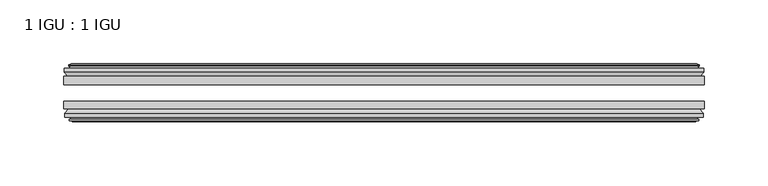
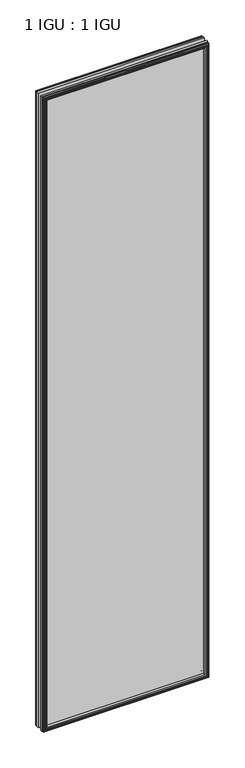
"""IFC4 building model written with IfcOpenShell, lengths in millimetres: plate geometry, 1 IGU : 1 IGU."""

from ifc_helpers import new_model, si_unit, frame, origin, place, context, project, spatial, polyline, outline, extrude, faceted_brep, source, transform, mapped, element, save


def plate_1_igu_1_igu_834acdd0(model_context):
    return source(origin(), model_context, "Body", "SolidModel", [
        extrude(outline(polyline([(250.3393016, -25.8960937), (250.3393016, -32.2460938), (-250.3393016, -32.2460938), (-250.3393016, -25.8960937), (250.3393016, -25.8960937)])), frame((0.0, 0.0, -12.7), z_axis=(0.0, 0.0, 1.0), x_axis=(1.0, 0.0, 0.0)), (0.0, 0.0, 1.0), 2019.3),
        extrude(outline(polyline([(-250.3393016, -51.2960938), (-250.3393016, -45.2686737), (250.3393016, -45.2686737), (250.3393016, -51.2960938), (-250.3393016, -51.2960938)])), frame((0.0, 0.0, -12.7), z_axis=(0.0, 0.0, 1.0), x_axis=(1.0, 0.0, 0.0)), (0.0, 0.0, 1.0), 2019.3),
        faceted_brep([(-244.7513016, -60.0262907, 2001.012), (-245.1323016, -57.6460937, 2001.393), (-245.1323016, -57.6460937, -7.493), (-244.7513016, -60.0262907, -7.112), (-246.1668306, -59.5663575, 2002.4275291), (-246.1668306, -59.5663575, -8.5275291), (-246.1668306, -60.3675717, 2002.4275291), (-246.1668306, -60.3675717, -8.5275291), (-243.9893016, -61.0750937, 2000.25), (-243.9893016, -61.0750937, -6.35), (-241.8117725, -60.3675717, 1998.072471), (-241.8117725, -60.3675717, -4.1724709), (-241.8117725, -59.5663575, 1998.072471), (-241.8117725, -59.5663575, -4.1724709), (-243.2273016, -60.0262907, 1999.488), (-243.2273016, -60.0262907, -5.588), (-242.8463016, -57.6460937, 1999.107), (-242.8463016, -57.6460937, -5.207), (-235.9215835, -51.2960937, 1992.1822819), (-237.6393016, -57.6460937, 1993.9), (-237.6393016, -57.6460937, 0.0), (-235.9215835, -51.2960937, 1.7177181), (-249.5773016, -54.6996937, 2005.838), (-246.7429594, -51.2960937, 2003.0036578), (-246.7429594, -51.2960937, -9.1036578), (-249.5773016, -54.6996937, -11.938), (-249.5773016, -57.6460937, 2005.838), (-249.5773016, -57.6460937, -11.938), (245.1323016, -57.6460938, -7.493), (244.7513016, -60.0262907, -7.112), (246.1668306, -59.5663575, -8.5275291), (246.1668306, -60.3675717, -8.5275291), (243.9893016, -61.0750937, -6.35), (241.8117725, -60.3675717, -4.1724709), (241.8117725, -59.5663575, -4.1724709), (243.2273016, -60.0262907, -5.588), (242.8463016, -57.6460937, -5.207), (237.6393016, -57.6460937, 0.0), (235.9215835, -51.2960937, 1.7177181), (246.7429594, -51.2960937, -9.1036578), (249.5773016, -54.6996937, -11.938), (249.5773016, -57.6460938, -11.938), (245.1323016, -57.6460938, 2001.393), (244.7513016, -60.0262907, 2001.012), (246.1668306, -59.5663575, 2002.4275291), (246.1668306, -60.3675717, 2002.4275291), (243.9893016, -61.0750937, 2000.25), (241.8117725, -60.3675717, 1998.072471), (241.8117725, -59.5663575, 1998.072471), (243.2273016, -60.0262907, 1999.488), (242.8463016, -57.6460937, 1999.107), (237.6393016, -57.6460937, 1993.9), (235.9215835, -51.2960937, 1992.1822819), (246.7429594, -51.2960937, 2003.0036578), (249.5773016, -54.6996937, 2005.838), (249.5773016, -57.6460938, 2005.838)], [[[0, 1, 2, 3]], [[4, 0, 3, 5]], [[6, 4, 5, 7]], [[8, 6, 7, 9]], [[10, 8, 9, 11]], [[12, 10, 11, 13]], [[14, 12, 13, 15]], [[16, 14, 15, 17]], [[18, 19, 20, 21]], [[22, 23, 24, 25]], [[26, 22, 25, 27]], [[3, 2, 28, 29]], [[5, 3, 29, 30]], [[7, 5, 30, 31]], [[9, 7, 31, 32]], [[11, 9, 32, 33]], [[13, 11, 33, 34]], [[15, 13, 34, 35]], [[17, 15, 35, 36]], [[21, 20, 37, 38]], [[25, 24, 39, 40]], [[27, 25, 40, 41]], [[29, 28, 42, 43]], [[30, 29, 43, 44]], [[31, 30, 44, 45]], [[32, 31, 45, 46]], [[33, 32, 46, 47]], [[34, 33, 47, 48]], [[35, 34, 48, 49]], [[36, 35, 49, 50]], [[38, 37, 51, 52]], [[40, 39, 53, 54]], [[41, 40, 54, 55]], [[27, 41, 55, 26], [1, 42, 28, 2]], [[43, 42, 1, 0]], [[44, 43, 0, 4]], [[45, 44, 4, 6]], [[46, 45, 6, 8]], [[47, 46, 8, 10]], [[48, 47, 10, 12]], [[49, 48, 12, 14]], [[50, 49, 14, 16]], [[17, 36, 50, 16], [19, 51, 37, 20]], [[52, 51, 19, 18]], [[23, 53, 39, 24], [21, 38, 52, 18]], [[54, 53, 23, 22]], [[55, 54, 22, 26]]]),
        faceted_brep([(-247.2636594, -25.8960937, 2003.5243578), (-250.0980016, -22.4924937, 2006.3587), (-250.0980016, -22.4924937, -12.4587), (-247.2636594, -25.8960937, -9.6243578), (-238.1600016, -19.5460937, 1994.4207), (-236.4422835, -25.8960937, 1992.7029819), (-236.4422835, -25.8960937, 1.1970181), (-238.1600016, -19.5460937, -0.5207), (-243.7480016, -17.1658968, 2000.0087), (-243.3670016, -19.5460937, 1999.6277), (-243.3670016, -19.5460937, -5.7277), (-243.7480016, -17.1658968, -6.1087), (-242.3324725, -17.62583, 1998.593171), (-242.3324725, -17.62583, -4.6931709), (-242.3324725, -16.8246158, 1998.593171), (-242.3324725, -16.8246158, -4.6931709), (-244.5100016, -16.1170937, 2000.7707), (-244.5100016, -16.1170937, -6.8707), (-246.6875306, -16.8246158, 2002.9482291), (-246.6875306, -16.8246158, -9.0482291), (-246.6875306, -17.62583, 2002.9482291), (-246.6875306, -17.62583, -9.0482291), (-245.2720016, -17.1658968, 2001.5327), (-245.2720016, -17.1658968, -7.6327), (-245.6530016, -19.5460937, 2001.9137), (-245.6530016, -19.5460937, -8.0137), (-250.0980016, -19.5460937, 2006.3587), (-250.0980016, -19.5460937, -12.4587), (250.0980016, -22.4924937, -12.4587), (247.2636594, -25.8960937, -9.6243578), (236.4422835, -25.8960937, 1.1970181), (238.1600016, -19.5460937, -0.5207), (243.3670016, -19.5460937, -5.7277), (243.7480016, -17.1658968, -6.1087), (242.3324725, -17.62583, -4.6931709), (242.3324725, -16.8246158, -4.6931709), (244.5100016, -16.1170937, -6.8707), (246.6875306, -16.8246158, -9.0482291), (246.6875306, -17.62583, -9.0482291), (245.2720016, -17.1658968, -7.6327), (245.6530016, -19.5460937, -8.0137), (250.0980016, -19.5460937, -12.4587), (250.0980016, -22.4924937, 2006.3587), (247.2636594, -25.8960937, 2003.5243578), (236.4422835, -25.8960937, 1992.7029819), (238.1600016, -19.5460937, 1994.4207), (243.3670016, -19.5460937, 1999.6277), (243.7480016, -17.1658968, 2000.0087), (242.3324725, -17.62583, 1998.593171), (242.3324725, -16.8246158, 1998.593171), (244.5100016, -16.1170937, 2000.7707), (246.6875306, -16.8246158, 2002.9482291), (246.6875306, -17.62583, 2002.9482291), (245.2720016, -17.1658968, 2001.5327), (245.6530016, -19.5460937, 2001.9137), (250.0980016, -19.5460937, 2006.3587)], [[[0, 1, 2, 3]], [[4, 5, 6, 7]], [[8, 9, 10, 11]], [[12, 8, 11, 13]], [[14, 12, 13, 15]], [[16, 14, 15, 17]], [[18, 16, 17, 19]], [[20, 18, 19, 21]], [[22, 20, 21, 23]], [[24, 22, 23, 25]], [[1, 26, 27, 2]], [[3, 2, 28, 29]], [[7, 6, 30, 31]], [[11, 10, 32, 33]], [[13, 11, 33, 34]], [[15, 13, 34, 35]], [[17, 15, 35, 36]], [[19, 17, 36, 37]], [[21, 19, 37, 38]], [[23, 21, 38, 39]], [[25, 23, 39, 40]], [[2, 27, 41, 28]], [[29, 28, 42, 43]], [[31, 30, 44, 45]], [[33, 32, 46, 47]], [[34, 33, 47, 48]], [[35, 34, 48, 49]], [[36, 35, 49, 50]], [[37, 36, 50, 51]], [[38, 37, 51, 52]], [[39, 38, 52, 53]], [[40, 39, 53, 54]], [[28, 41, 55, 42]], [[43, 42, 1, 0]], [[3, 29, 43, 0], [5, 44, 30, 6]], [[45, 44, 5, 4]], [[9, 46, 32, 10], [7, 31, 45, 4]], [[47, 46, 9, 8]], [[48, 47, 8, 12]], [[49, 48, 12, 14]], [[50, 49, 14, 16]], [[51, 50, 16, 18]], [[52, 51, 18, 20]], [[53, 52, 20, 22]], [[54, 53, 22, 24]], [[26, 55, 41, 27], [25, 40, 54, 24]], [[42, 55, 26, 1]]]),
    ])


if __name__ == "__main__":
    model = new_model("IFC4")
    model_context = context("Model", 3, world=origin())
    ifc_project = project(units=[si_unit("LENGTHUNIT", "METRE", prefix="MILLI")], contexts=[model_context])
    site = spatial("IfcSite", under=ifc_project)
    building = spatial("IfcBuilding", under=site)
    placement = place(None, origin())
    plate_1_igu_1_igu_shape = plate_1_igu_1_igu_834acdd0(model_context)
    element("IfcPlate", 1, ObjectType="1 IGU : 1 IGU", at=placement, inside=building, context=model_context, shape_type="MappedRepresentation", body=[
        mapped(plate_1_igu_1_igu_shape, transform((0.0, 0.0, 0.0), x_axis=(1.0, 0.0, 0.0), y_axis=(0.0, 1.0, 0.0), z_axis=(0.0, 0.0, 1.0))),
    ])
    save(model, "model.ifc")
